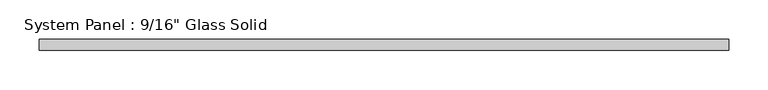
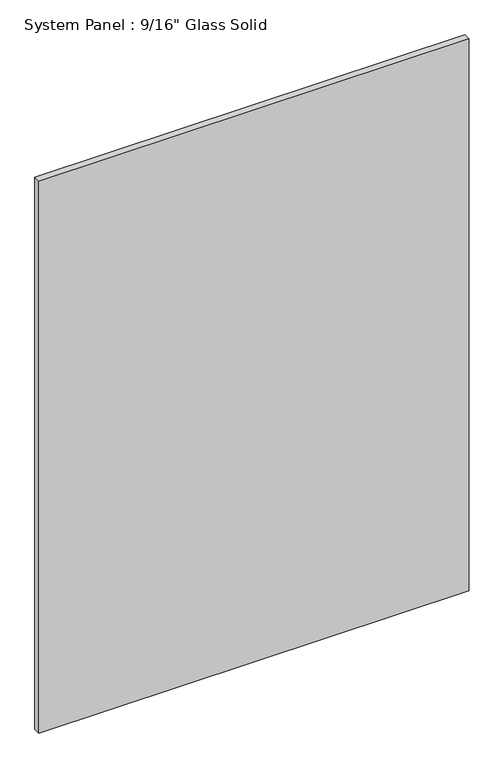
"""IFC4 building model written with IfcOpenShell, lengths in millimetres: plate geometry."""

import ifcopenshell
import ifcopenshell.guid

model = None  # the IFC model being written
_history = None  # IfcOwnerHistory: only IFC2X3 demands one
_inside = {}  # id of a spatial element -> (the spatial element, [elements in it])
_under = {}  # id of a project, library or spatial element -> (it, [spatial elements below it])
_declared = {}  # id of a project -> (the project, [libraries it declares])
_typed = {}  # id of a type object -> (the type object, [elements of that type])
_made_of = {}  # id of a material, layer set ... -> (it, [elements and type objects made of it])


def new_model(schema):
    """Start an empty IFC model of exactly this schema.

    Asked for "IFC4X3", IfcOpenShell would pick the latest addendum, in which some entities
    have other attributes; the version numbers below select the first issue.
    IFC2X3 requires an IfcOwnerHistory on every rooted entity: one is made here for all.
    """
    global model, _history
    if schema == "IFC4X3":
        model = ifcopenshell.file(schema_version=(4, 3, 0, 0))
    else:
        model = ifcopenshell.file(schema=schema)
    _inside.clear()
    _under.clear()
    _declared.clear()
    _typed.clear()
    _made_of.clear()
    _history = None
    if model.schema == "IFC2X3":
        org = make("IfcOrganization", Name="unknown")
        user = make(
            "IfcPersonAndOrganization",
            ThePerson=make("IfcPerson", FamilyName="unknown"),
            TheOrganization=org,
        )
        app = make(
            "IfcApplication",
            ApplicationDeveloper=org,
            Version="unknown",
            ApplicationFullName="unknown",
            ApplicationIdentifier="unknown",
        )
        _history = make(
            "IfcOwnerHistory",
            OwningUser=user,
            OwningApplication=app,
            ChangeAction="ADDED",
            CreationDate=0,
        )
    return model


def make(cls, **values):
    """One entity of the class cls with the attributes given. An attribute that is None is left unset."""
    return model.create_entity(
        cls, **{name: value for name, value in values.items() if value is not None}
    )


def rooted(cls, **values):
    """An entity with a GlobalId (a new one), such as an element, a storey or a relation."""
    return make(cls, GlobalId=ifcopenshell.guid.new(), OwnerHistory=_history, **values)


def si_unit(unit_type, name, prefix=None):
    """IfcSIUnit, for example si_unit("LENGTHUNIT", "METRE", prefix="MILLI")."""
    return make("IfcSIUnit", UnitType=unit_type, Prefix=prefix, Name=name)


def assignment(units):
    """IfcUnitAssignment: the units of a project."""
    return None if units is None else make("IfcUnitAssignment", Units=units)


def point(xyz):
    """IfcCartesianPoint."""
    return None if xyz is None else make("IfcCartesianPoint", Coordinates=xyz)


def direction(xyz):
    """IfcDirection."""
    return None if xyz is None else make("IfcDirection", DirectionRatios=xyz)


def frame(location, z_axis=None, x_axis=None):
    """IfcAxis2Placement3D, a coordinate frame: its origin and axes. An axis left out is left unset."""
    return make(
        "IfcAxis2Placement3D",
        Location=point(location),
        Axis=direction(z_axis),
        RefDirection=direction(x_axis),
    )


def origin():
    """The frame at (0, 0, 0) with its axes left unset."""
    return frame((0.0, 0.0, 0.0))


def origin_with_axes():
    """The frame at (0, 0, 0) with the z axis (0, 0, 1) and the x axis (1, 0, 0) written out."""
    return frame((0.0, 0.0, 0.0), z_axis=(0.0, 0.0, 1.0), x_axis=(1.0, 0.0, 0.0))


def place(relative_to, where):
    """IfcLocalPlacement: puts the frame where relative to a parent placement (None: the world)."""
    return make(
        "IfcLocalPlacement", PlacementRelTo=relative_to, RelativePlacement=where
    )


def context(
    kind, dimensions, precision=None, world=None, true_north=None, identifier=None
):
    """IfcGeometricRepresentationContext, for example the 3D "Model" context."""
    return make(
        "IfcGeometricRepresentationContext",
        ContextIdentifier=identifier,
        ContextType=kind,
        CoordinateSpaceDimension=dimensions,
        Precision=precision,
        WorldCoordinateSystem=world,
        TrueNorth=true_north,
    )


def project(units=None, contexts=None):
    """IfcProject with its units and contexts."""
    return rooted(
        "IfcProject",
        Name="project",
        RepresentationContexts=contexts,
        UnitsInContext=assignment(units),
    )


def spatial(cls, under=None, at=None, **own):
    """A site, building, storey or space (cls), placed at a placement, below another one or the project."""
    s = rooted(cls, ObjectPlacement=at, **own)
    if under is not None:
        _under.setdefault(under.id(), (under, []))[1].append(s)
    return s


def polyline(points):
    """IfcPolyline through the points."""
    return make("IfcPolyline", Points=[point(p) for p in points])


def outline(outer, holes=None, kind="AREA"):
    """IfcArbitraryClosedProfileDef: a profile drawn as a closed curve; with holes, ...WithVoids."""
    if holes is None:
        return make("IfcArbitraryClosedProfileDef", ProfileType=kind, OuterCurve=outer)
    return make(
        "IfcArbitraryProfileDefWithVoids",
        ProfileType=kind,
        OuterCurve=outer,
        InnerCurves=holes,
    )


def extrude(swept, where, along, depth):
    """IfcExtrudedAreaSolid: the profile swept, set in the frame where, extruded along a direction by depth."""
    return make(
        "IfcExtrudedAreaSolid",
        SweptArea=swept,
        Position=where,
        ExtrudedDirection=direction(along),
        Depth=depth,
    )


def shape(context_of_items, identifier, shape_type, items):
    """IfcShapeRepresentation: the items that make up one representation, for example the "Body"."""
    return make(
        "IfcShapeRepresentation",
        ContextOfItems=context_of_items,
        RepresentationIdentifier=identifier,
        RepresentationType=shape_type,
        Items=items,
    )


def source(mapping_origin, context_of_items, identifier, shape_type, items):
    """IfcRepresentationMap: a shape defined once, which mapped items show again and again."""
    return make(
        "IfcRepresentationMap",
        MappingOrigin=mapping_origin,
        MappedRepresentation=shape(context_of_items, identifier, shape_type, items),
    )


def transform(
    local_origin,
    x_axis=None,
    y_axis=None,
    z_axis=None,
    scale=None,
    scale2=None,
    scale3=None,
    uniform=True,
):
    """IfcCartesianTransformationOperator3D, or its non-uniform kind. x_axis, y_axis, z_axis: its Axis1, 2, 3."""
    if uniform:
        return make(
            "IfcCartesianTransformationOperator3D",
            Axis1=direction(x_axis),
            Axis2=direction(y_axis),
            LocalOrigin=point(local_origin),
            Scale=scale,
            Axis3=direction(z_axis),
        )
    return make(
        "IfcCartesianTransformationOperator3DnonUniform",
        Axis1=direction(x_axis),
        Axis2=direction(y_axis),
        LocalOrigin=point(local_origin),
        Scale=scale,
        Axis3=direction(z_axis),
        Scale2=scale2,
        Scale3=scale3,
    )


def mapped(mapping_source, mapping_target):
    """IfcMappedItem: shows the shape of a source again, moved by a transform."""
    return make(
        "IfcMappedItem", MappingSource=mapping_source, MappingTarget=mapping_target
    )


def made_of(thing, what):
    """Note that an element or type object is made of a material, layer set ...; save() writes the relation."""
    if what is not None:
        _made_of.setdefault(what.id(), (what, []))[1].append(thing)
    return thing


def element(
    cls,
    number,
    at=None,
    inside=None,
    cuts=None,
    type_object=None,
    material=None,
    context=None,
    identifier="Body",
    shape_type=None,
    held_by="IfcProductDefinitionShape",
    body=None,
    shapes=None,
    **own,
):
    """One element of the class cls, such as IfcWall. Its Tag is "e" and its number.

    at: its placement. inside: the storey or other place that contains it. cuts: it is an
    opening in that element (IfcRelVoidsElement). A single representation is given by context,
    identifier, shape_type and body (its items); several are given by shapes. held_by: the class
    of the entity that holds the representations. save() writes the other relations.
    """
    e = rooted(cls, Tag="e%d" % number, ObjectPlacement=at, **own)
    if body is not None:
        shapes = [shape(context, identifier, shape_type, body)]
    if shapes is not None:
        e.Representation = make(held_by, Representations=shapes)
    if inside is not None:
        _inside.setdefault(inside.id(), (inside, []))[1].append(e)
    if cuts is not None:
        rooted(
            "IfcRelVoidsElement", RelatingBuildingElement=cuts, RelatedOpeningElement=e
        )
    if type_object is not None:
        _typed.setdefault(type_object.id(), (type_object, []))[1].append(e)
    return made_of(e, material)


def aggregate(whole, parts):
    """IfcRelAggregates: a whole, such as a stair, and the parts it consists of."""
    return rooted("IfcRelAggregates", RelatingObject=whole, RelatedObjects=parts)


def save(model, path):
    """Write the relations noted so far, then the file.

    IfcRelAggregates (storeys below a building ...), IfcRelContainedInSpatialStructure (elements
    in a storey), IfcRelDefinesByType, IfcRelAssociatesMaterial and IfcRelDeclares: one each for
    every whole, place, type object, material and project.
    """
    for whole, parts in _under.values():
        aggregate(whole, parts)
    for where, things in _inside.values():
        rooted(
            "IfcRelContainedInSpatialStructure",
            RelatedElements=things,
            RelatingStructure=where,
        )
    for kind, things in _typed.values():
        rooted("IfcRelDefinesByType", RelatedObjects=things, RelatingType=kind)
    for what, things in _made_of.values():
        rooted("IfcRelAssociatesMaterial", RelatedObjects=things, RelatingMaterial=what)
    for by, libraries in _declared.values():
        rooted("IfcRelDeclares", RelatingContext=by, RelatedDefinitions=libraries)
    model.write(path)


def plate_6f048ead(model_context):
    return source(origin(), model_context, "Body", "SweptSolid", [
        extrude(outline(polyline([(440.3180865, -7.14375), (-440.3180865, -7.14375), (-440.3180865, 7.14375), (440.3180865, 7.14375), (440.3180865, -7.14375)])), origin_with_axes(), (0.0, 0.0, 1.0), 1193.8017704),
    ])


if __name__ == "__main__":
    model = new_model("IFC4")
    model_context = context("Model", 3, world=origin())
    ifc_project = project(units=[si_unit("LENGTHUNIT", "METRE", prefix="MILLI")], contexts=[model_context])
    site = spatial("IfcSite", under=ifc_project)
    building = spatial("IfcBuilding", under=site)
    placement = place(None, origin())
    plate_shape = plate_6f048ead(model_context)
    element("IfcPlate", 1, ObjectType="System Panel : 9/16\" Glass Solid", at=placement, inside=building, context=model_context, shape_type="MappedRepresentation", body=[
        mapped(plate_shape, transform((0.0, 0.0, 0.0), x_axis=(1.0, 0.0, 0.0), y_axis=(0.0, 1.0, 0.0), z_axis=(0.0, 0.0, 1.0))),
    ])
    save(model, "model.ifc")
